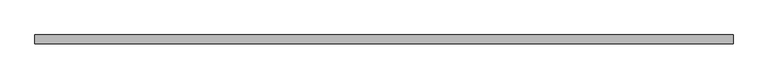
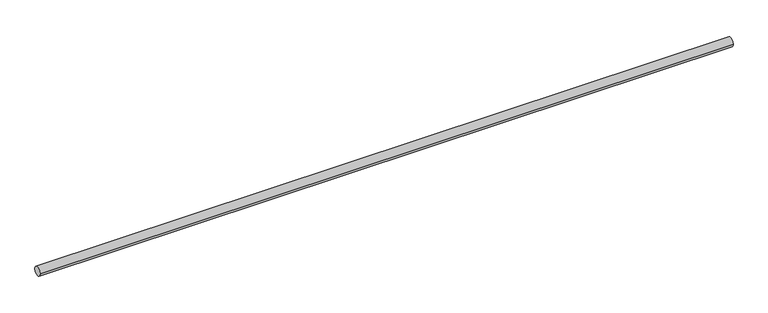
"""IFC4 building model written with IfcOpenShell, lengths in millimetres: proxy geometry."""

import ifcopenshell
import ifcopenshell.guid

model = None  # the IFC model being written
_history = None  # IfcOwnerHistory: only IFC2X3 demands one
_inside = {}  # id of a spatial element -> (the spatial element, [elements in it])
_under = {}  # id of a project, library or spatial element -> (it, [spatial elements below it])
_declared = {}  # id of a project -> (the project, [libraries it declares])
_typed = {}  # id of a type object -> (the type object, [elements of that type])
_made_of = {}  # id of a material, layer set ... -> (it, [elements and type objects made of it])


def new_model(schema):
    """Start an empty IFC model of exactly this schema.

    Asked for "IFC4X3", IfcOpenShell would pick the latest addendum, in which some entities
    have other attributes; the version numbers below select the first issue.
    IFC2X3 requires an IfcOwnerHistory on every rooted entity: one is made here for all.
    """
    global model, _history
    if schema == "IFC4X3":
        model = ifcopenshell.file(schema_version=(4, 3, 0, 0))
    else:
        model = ifcopenshell.file(schema=schema)
    _inside.clear()
    _under.clear()
    _declared.clear()
    _typed.clear()
    _made_of.clear()
    _history = None
    if model.schema == "IFC2X3":
        org = make("IfcOrganization", Name="unknown")
        user = make(
            "IfcPersonAndOrganization",
            ThePerson=make("IfcPerson", FamilyName="unknown"),
            TheOrganization=org,
        )
        app = make(
            "IfcApplication",
            ApplicationDeveloper=org,
            Version="unknown",
            ApplicationFullName="unknown",
            ApplicationIdentifier="unknown",
        )
        _history = make(
            "IfcOwnerHistory",
            OwningUser=user,
            OwningApplication=app,
            ChangeAction="ADDED",
            CreationDate=0,
        )
    return model


def make(cls, **values):
    """One entity of the class cls with the attributes given. An attribute that is None is left unset."""
    return model.create_entity(
        cls, **{name: value for name, value in values.items() if value is not None}
    )


def rooted(cls, **values):
    """An entity with a GlobalId (a new one), such as an element, a storey or a relation."""
    return make(cls, GlobalId=ifcopenshell.guid.new(), OwnerHistory=_history, **values)


def si_unit(unit_type, name, prefix=None):
    """IfcSIUnit, for example si_unit("LENGTHUNIT", "METRE", prefix="MILLI")."""
    return make("IfcSIUnit", UnitType=unit_type, Prefix=prefix, Name=name)


def assignment(units):
    """IfcUnitAssignment: the units of a project."""
    return None if units is None else make("IfcUnitAssignment", Units=units)


def point(xyz):
    """IfcCartesianPoint."""
    return None if xyz is None else make("IfcCartesianPoint", Coordinates=xyz)


def direction(xyz):
    """IfcDirection."""
    return None if xyz is None else make("IfcDirection", DirectionRatios=xyz)


def frame(location, z_axis=None, x_axis=None):
    """IfcAxis2Placement3D, a coordinate frame: its origin and axes. An axis left out is left unset."""
    return make(
        "IfcAxis2Placement3D",
        Location=point(location),
        Axis=direction(z_axis),
        RefDirection=direction(x_axis),
    )


def frame_2d(location, x_axis=None):
    """IfcAxis2Placement2D, a coordinate frame in the plane: its origin and x axis."""
    return make(
        "IfcAxis2Placement2D", Location=point(location), RefDirection=direction(x_axis)
    )


def origin():
    """The frame at (0, 0, 0) with its axes left unset."""
    return frame((0.0, 0.0, 0.0))


def place(relative_to, where):
    """IfcLocalPlacement: puts the frame where relative to a parent placement (None: the world)."""
    return make(
        "IfcLocalPlacement", PlacementRelTo=relative_to, RelativePlacement=where
    )


def context(
    kind, dimensions, precision=None, world=None, true_north=None, identifier=None
):
    """IfcGeometricRepresentationContext, for example the 3D "Model" context."""
    return make(
        "IfcGeometricRepresentationContext",
        ContextIdentifier=identifier,
        ContextType=kind,
        CoordinateSpaceDimension=dimensions,
        Precision=precision,
        WorldCoordinateSystem=world,
        TrueNorth=true_north,
    )


def project(units=None, contexts=None):
    """IfcProject with its units and contexts."""
    return rooted(
        "IfcProject",
        Name="project",
        RepresentationContexts=contexts,
        UnitsInContext=assignment(units),
    )


def spatial(cls, under=None, at=None, **own):
    """A site, building, storey or space (cls), placed at a placement, below another one or the project."""
    s = rooted(cls, ObjectPlacement=at, **own)
    if under is not None:
        _under.setdefault(under.id(), (under, []))[1].append(s)
    return s


def circle_curve(where, radius):
    """IfcCircle in the frame where."""
    return make("IfcCircle", Position=where, Radius=radius)


def trimmed(basis, trim1, trim2, sense, master):
    """IfcTrimmedCurve: the piece of a basis curve between two trims."""
    return make(
        "IfcTrimmedCurve",
        BasisCurve=basis,
        Trim1=trim1,
        Trim2=trim2,
        SenseAgreement=sense,
        MasterRepresentation=master,
    )


def segment(curve, same_sense, transition):
    """IfcCompositeCurveSegment."""
    return make(
        "IfcCompositeCurveSegment",
        Transition=transition,
        SameSense=same_sense,
        ParentCurve=curve,
    )


def composite_curve(segments, self_intersect=None):
    """IfcCompositeCurve: segments joined end to end."""
    return make("IfcCompositeCurve", Segments=segments, SelfIntersect=self_intersect)


def outline(outer, holes=None, kind="AREA"):
    """IfcArbitraryClosedProfileDef: a profile drawn as a closed curve; with holes, ...WithVoids."""
    if holes is None:
        return make("IfcArbitraryClosedProfileDef", ProfileType=kind, OuterCurve=outer)
    return make(
        "IfcArbitraryProfileDefWithVoids",
        ProfileType=kind,
        OuterCurve=outer,
        InnerCurves=holes,
    )


def extrude(swept, where, along, depth):
    """IfcExtrudedAreaSolid: the profile swept, set in the frame where, extruded along a direction by depth."""
    return make(
        "IfcExtrudedAreaSolid",
        SweptArea=swept,
        Position=where,
        ExtrudedDirection=direction(along),
        Depth=depth,
    )


def shape(context_of_items, identifier, shape_type, items):
    """IfcShapeRepresentation: the items that make up one representation, for example the "Body"."""
    return make(
        "IfcShapeRepresentation",
        ContextOfItems=context_of_items,
        RepresentationIdentifier=identifier,
        RepresentationType=shape_type,
        Items=items,
    )


def source(mapping_origin, context_of_items, identifier, shape_type, items):
    """IfcRepresentationMap: a shape defined once, which mapped items show again and again."""
    return make(
        "IfcRepresentationMap",
        MappingOrigin=mapping_origin,
        MappedRepresentation=shape(context_of_items, identifier, shape_type, items),
    )


def transform(
    local_origin,
    x_axis=None,
    y_axis=None,
    z_axis=None,
    scale=None,
    scale2=None,
    scale3=None,
    uniform=True,
):
    """IfcCartesianTransformationOperator3D, or its non-uniform kind. x_axis, y_axis, z_axis: its Axis1, 2, 3."""
    if uniform:
        return make(
            "IfcCartesianTransformationOperator3D",
            Axis1=direction(x_axis),
            Axis2=direction(y_axis),
            LocalOrigin=point(local_origin),
            Scale=scale,
            Axis3=direction(z_axis),
        )
    return make(
        "IfcCartesianTransformationOperator3DnonUniform",
        Axis1=direction(x_axis),
        Axis2=direction(y_axis),
        LocalOrigin=point(local_origin),
        Scale=scale,
        Axis3=direction(z_axis),
        Scale2=scale2,
        Scale3=scale3,
    )


def mapped(mapping_source, mapping_target):
    """IfcMappedItem: shows the shape of a source again, moved by a transform."""
    return make(
        "IfcMappedItem", MappingSource=mapping_source, MappingTarget=mapping_target
    )


def made_of(thing, what):
    """Note that an element or type object is made of a material, layer set ...; save() writes the relation."""
    if what is not None:
        _made_of.setdefault(what.id(), (what, []))[1].append(thing)
    return thing


def element(
    cls,
    number,
    at=None,
    inside=None,
    cuts=None,
    type_object=None,
    material=None,
    context=None,
    identifier="Body",
    shape_type=None,
    held_by="IfcProductDefinitionShape",
    body=None,
    shapes=None,
    **own,
):
    """One element of the class cls, such as IfcWall. Its Tag is "e" and its number.

    at: its placement. inside: the storey or other place that contains it. cuts: it is an
    opening in that element (IfcRelVoidsElement). A single representation is given by context,
    identifier, shape_type and body (its items); several are given by shapes. held_by: the class
    of the entity that holds the representations. save() writes the other relations.
    """
    e = rooted(cls, Tag="e%d" % number, ObjectPlacement=at, **own)
    if body is not None:
        shapes = [shape(context, identifier, shape_type, body)]
    if shapes is not None:
        e.Representation = make(held_by, Representations=shapes)
    if inside is not None:
        _inside.setdefault(inside.id(), (inside, []))[1].append(e)
    if cuts is not None:
        rooted(
            "IfcRelVoidsElement", RelatingBuildingElement=cuts, RelatedOpeningElement=e
        )
    if type_object is not None:
        _typed.setdefault(type_object.id(), (type_object, []))[1].append(e)
    return made_of(e, material)


def aggregate(whole, parts):
    """IfcRelAggregates: a whole, such as a stair, and the parts it consists of."""
    return rooted("IfcRelAggregates", RelatingObject=whole, RelatedObjects=parts)


def save(model, path):
    """Write the relations noted so far, then the file.

    IfcRelAggregates (storeys below a building ...), IfcRelContainedInSpatialStructure (elements
    in a storey), IfcRelDefinesByType, IfcRelAssociatesMaterial and IfcRelDeclares: one each for
    every whole, place, type object, material and project.
    """
    for whole, parts in _under.values():
        aggregate(whole, parts)
    for where, things in _inside.values():
        rooted(
            "IfcRelContainedInSpatialStructure",
            RelatedElements=things,
            RelatingStructure=where,
        )
    for kind, things in _typed.values():
        rooted("IfcRelDefinesByType", RelatedObjects=things, RelatingType=kind)
    for what, things in _made_of.values():
        rooted("IfcRelAssociatesMaterial", RelatedObjects=things, RelatingMaterial=what)
    for by, libraries in _declared.values():
        rooted("IfcRelDeclares", RelatingContext=by, RelatedDefinitions=libraries)
    model.write(path)


def generic_models_1d748fa6(model_context):
    return source(origin(), model_context, "Body", "SweptSolid", [
        extrude(outline(composite_curve([segment(trimmed(circle_curve(frame_2d((-5277.3114392, 3909.32)), 17.45), [point((-5294.7614392, 3909.32))], [point((-5259.8614392, 3909.32))], False, "CARTESIAN"), True, "CONTINUOUS"), segment(trimmed(circle_curve(frame_2d((-5277.3114392, 3909.32)), 17.45), [point((-5259.8614392, 3909.32))], [point((-5294.7614392, 3909.32))], False, "CARTESIAN"), True, "CONTINUOUS")], self_intersect=False)), frame((-11776.5776651, 0.0, 0.0), z_axis=(1.0, 0.0, 0.0), x_axis=(0.0, 1.0, 0.0)), (0.0, 0.0, 1.0), 2700.0),
    ])


if __name__ == "__main__":
    model = new_model("IFC4")
    model_context = context("Model", 3, world=origin())
    ifc_project = project(units=[si_unit("LENGTHUNIT", "METRE", prefix="MILLI")], contexts=[model_context])
    site = spatial("IfcSite", under=ifc_project)
    building = spatial("IfcBuilding", under=site)
    placement = place(None, origin())
    generic_models_shape = generic_models_1d748fa6(model_context)
    element("IfcBuildingElementProxy", 1, Name="Generic Models", at=placement, inside=building, context=model_context, shape_type="MappedRepresentation", body=[
        mapped(generic_models_shape, transform((0.0, 0.0, 0.0), x_axis=(1.0, 0.0, 0.0), y_axis=(0.0, 1.0, 0.0), z_axis=(0.0, 0.0, 1.0))),
    ])
    save(model, "model.ifc")
